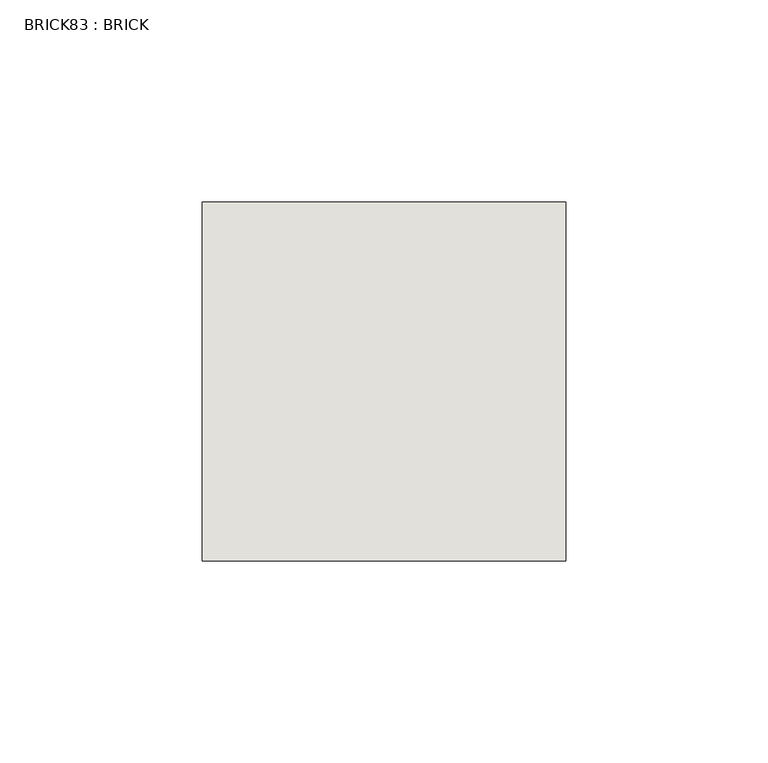
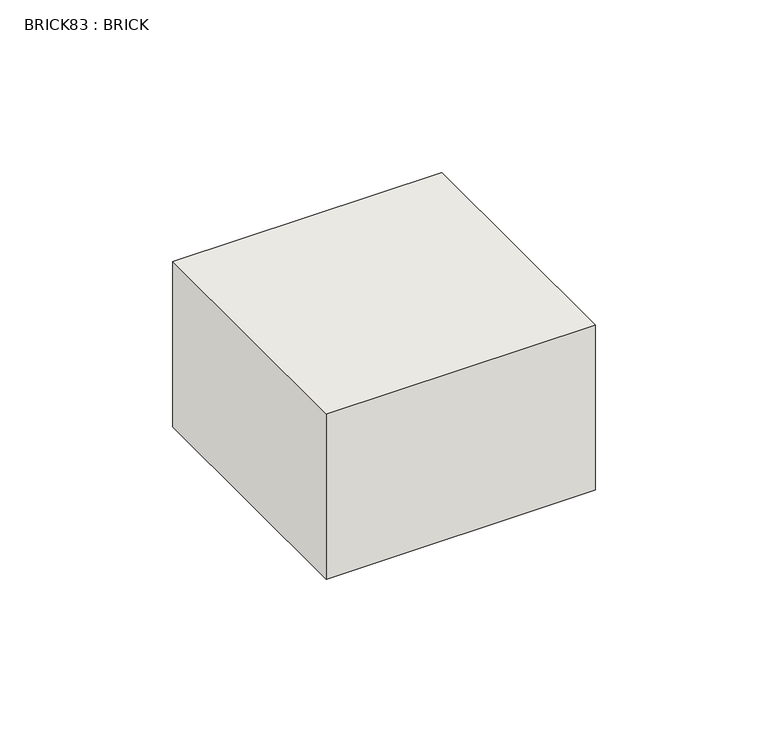
"""IFC4 building model written with IfcOpenShell, lengths in millimetres: wall geometry, BRICK83 : BRICK."""

from ifc_helpers import new_model, si_unit, frame, origin, place, context, project, spatial, polyline, outline, extrude, source, transform, mapped, element, save


def brick83_brick_9b71d839(model_context):
    return source(origin(), model_context, "Body", "SweptSolid", [
        extrude(outline(polyline([(1544.9272594, 2586.2274125), (1634.9530711, 2586.2274125), (1634.9530711, 2497.3274125), (1544.9272594, 2497.3274125), (1544.9272594, 2586.2274125)])), frame((0.0, 0.0, -43.4578125), z_axis=(0.0, 0.0, 1.0), x_axis=(1.0, 0.0, 0.0)), (0.0, 0.0, 1.0), 58.4398438),
    ])


if __name__ == "__main__":
    model = new_model("IFC4")
    model_context = context("Model", 3, world=origin())
    ifc_project = project(units=[si_unit("LENGTHUNIT", "METRE", prefix="MILLI")], contexts=[model_context])
    site = spatial("IfcSite", under=ifc_project)
    building = spatial("IfcBuilding", under=site)
    placement = place(None, origin())
    brick83_brick_shape = brick83_brick_9b71d839(model_context)
    element("IfcWall", 1, ObjectType="BRICK83 : BRICK", at=placement, inside=building, context=model_context, shape_type="MappedRepresentation", body=[
        mapped(brick83_brick_shape, transform((0.0, 0.0, 0.0), x_axis=(1.0, 0.0, 0.0), y_axis=(0.0, 1.0, 0.0), z_axis=(0.0, 0.0, 1.0))),
    ])
    save(model, "model.ifc")
